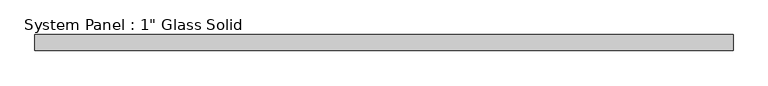
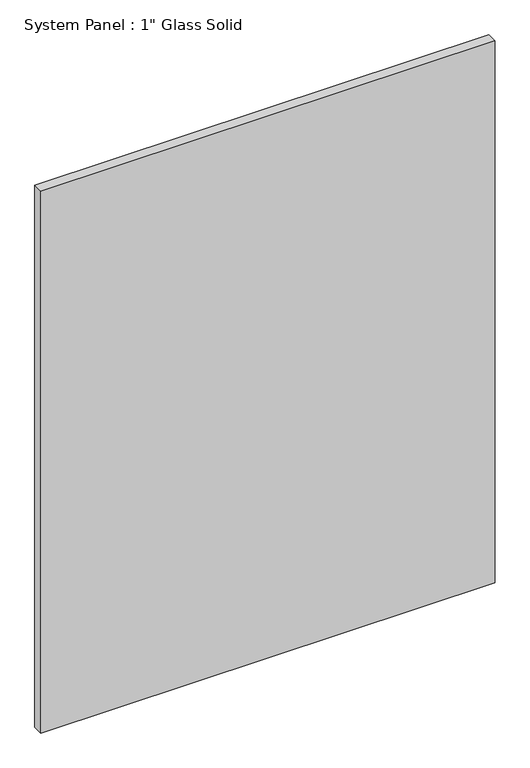
"""IFC4 building model written with IfcOpenShell, lengths in millimetres: plate geometry."""

from ifc_helpers import new_model, si_unit, origin, origin_with_axes, place, context, project, spatial, polyline, outline, extrude, source, transform, mapped, element, save


def plate_8c3a446c(model_context):
    return source(origin(), model_context, "Body", "SweptSolid", [
        extrude(outline(polyline([(553.0305865, -12.7), (-553.0305865, -12.7), (-553.0305865, 12.7), (553.0305865, 12.7), (553.0305865, -12.7)])), origin_with_axes(), (0.0, 0.0, 1.0), 1394.5741382),
    ])


if __name__ == "__main__":
    model = new_model("IFC4")
    model_context = context("Model", 3, world=origin())
    ifc_project = project(units=[si_unit("LENGTHUNIT", "METRE", prefix="MILLI")], contexts=[model_context])
    site = spatial("IfcSite", under=ifc_project)
    building = spatial("IfcBuilding", under=site)
    placement = place(None, origin())
    plate_shape = plate_8c3a446c(model_context)
    element("IfcPlate", 1, ObjectType="System Panel : 1\" Glass Solid", at=placement, inside=building, context=model_context, shape_type="MappedRepresentation", body=[
        mapped(plate_shape, transform((0.0, 0.0, 0.0), x_axis=(1.0, 0.0, 0.0), y_axis=(0.0, 1.0, 0.0), z_axis=(0.0, 0.0, 1.0))),
    ])
    save(model, "model.ifc")
